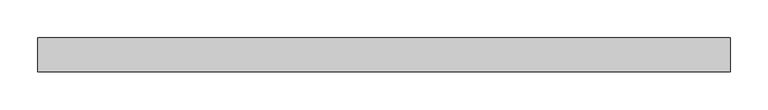
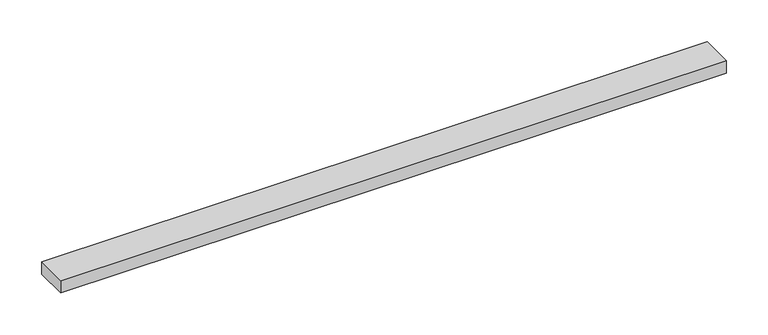
"""IFC4 building model written with IfcOpenShell, lengths in millimetres: beam geometry."""

from ifc_helpers import new_model, si_unit, frame, origin, place, context, project, spatial, polyline, outline, extrude, source, transform, mapped, element, save


def beam_18b86641(model_context):
    return source(origin(), model_context, "Body", "SweptSolid", [
        extrude(outline(polyline([(457.2, -22.5), (-457.2, -22.5), (-457.2, 22.5), (457.2, 22.5), (457.2, -22.5)])), frame((0.0, 0.0, -9.0), z_axis=(0.0, 0.0, 1.0), x_axis=(1.0, 0.0, 0.0)), (0.0, 0.0, 1.0), 18.0),
    ])


if __name__ == "__main__":
    model = new_model("IFC4")
    model_context = context("Model", 3, world=origin())
    ifc_project = project(units=[si_unit("LENGTHUNIT", "METRE", prefix="MILLI")], contexts=[model_context])
    site = spatial("IfcSite", under=ifc_project)
    building = spatial("IfcBuilding", under=site)
    placement = place(None, origin())
    beam_shape = beam_18b86641(model_context)
    element("IfcBeam", 1, at=placement, inside=building, context=model_context, shape_type="MappedRepresentation", body=[
        mapped(beam_shape, transform((0.0, 0.0, 0.0), x_axis=(1.0, 0.0, 0.0), y_axis=(0.0, 1.0, 0.0), z_axis=(0.0, 0.0, 1.0))),
    ])
    save(model, "model.ifc")
